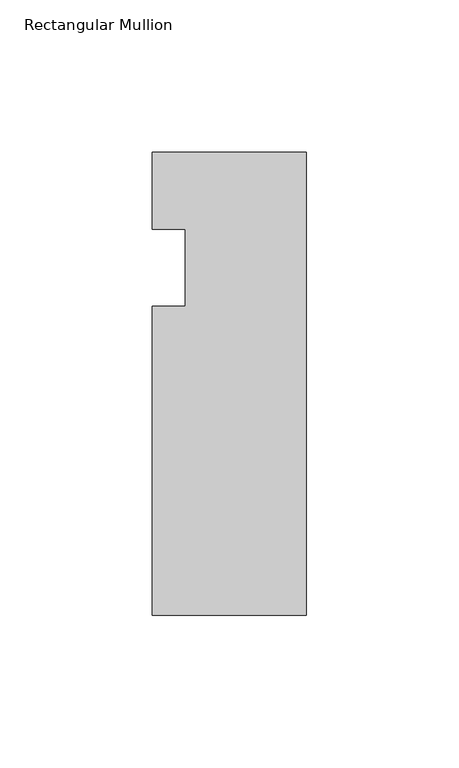
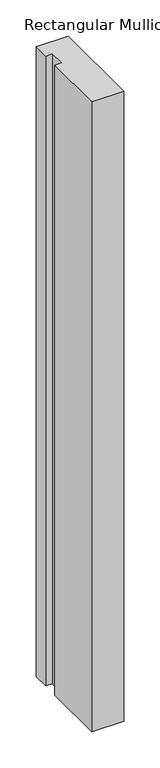
"""IFC4 building model written with IfcOpenShell, lengths in millimetres: member geometry, Rectangular Mullion."""

from ifc_helpers import new_model, si_unit, frame, origin, place, context, project, spatial, polyline, outline, extrude, source, transform, mapped, element, save


def rectangular_mullion_5612d618(model_context):
    return source(origin(), model_context, "Body", "SweptSolid", [
        extrude(outline(polyline([(0.0, 0.0), (0.0, -152.4), (-50.8, -152.4), (-50.8, -50.8), (-39.798625, -50.8), (-39.798625, -25.4), (-50.8, -25.4), (-50.8, 0.0), (0.0, 0.0)])), frame((0.0, 0.0, -1058.3333333), z_axis=(0.0, 0.0, 1.0), x_axis=(1.0, 0.0, 0.0)), (0.0, 0.0, 1.0), 1058.3333333),
    ])


if __name__ == "__main__":
    model = new_model("IFC4")
    model_context = context("Model", 3, world=origin())
    ifc_project = project(units=[si_unit("LENGTHUNIT", "METRE", prefix="MILLI")], contexts=[model_context])
    site = spatial("IfcSite", under=ifc_project)
    building = spatial("IfcBuilding", under=site)
    placement = place(None, origin())
    rectangular_mullion_shape = rectangular_mullion_5612d618(model_context)
    element("IfcMember", 1, ObjectType="Rectangular Mullion", at=placement, inside=building, context=model_context, shape_type="MappedRepresentation", body=[
        mapped(rectangular_mullion_shape, transform((0.0, 0.0, 0.0), x_axis=(1.0, 0.0, 0.0), y_axis=(0.0, 1.0, 0.0), z_axis=(0.0, 0.0, 1.0))),
    ])
    save(model, "model.ifc")
